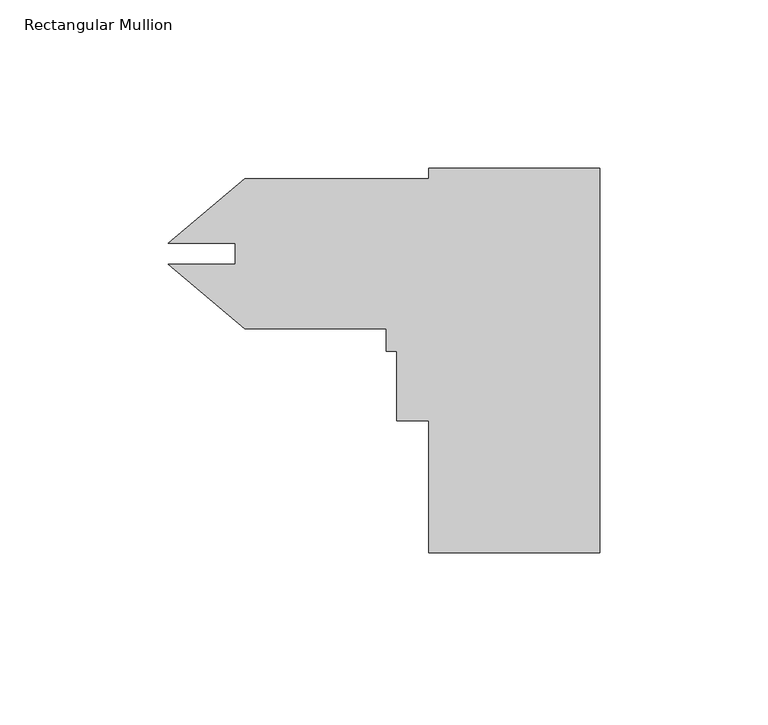
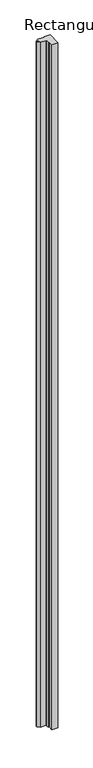
"""IFC4 building model written with IfcOpenShell, lengths in millimetres: member geometry, Rectangular Mullion."""

from ifc_helpers import new_model, si_unit, frame, origin, place, context, project, spatial, polyline, outline, extrude, source, transform, mapped, element, save


def rectangular_mullion_7e819b09(model_context):
    return source(origin(), model_context, "Body", "SweptSolid", [
        extrude(outline(polyline([(-50.8, -57.15), (-50.8, -17.907), (-60.325, -17.907), (-60.325, 2.7178), (-63.5, 2.7178), (-63.5, 9.525), (-105.4886927, 9.525), (-128.2100523, 28.5904845), (-108.2457448, 28.5904845), (-108.2457448, 34.9145955), (-128.2100523, 34.9145955), (-105.4947468, 53.975), (-50.8, 53.975), (-50.8, 57.15), (0.0, 57.15), (0.0, -57.15), (-50.8, -57.15)])), frame((0.0, 0.0, -6096.0), z_axis=(0.0, 0.0, 1.0), x_axis=(1.0, 0.0, 0.0)), (0.0, 0.0, 1.0), 6096.0),
    ])


if __name__ == "__main__":
    model = new_model("IFC4")
    model_context = context("Model", 3, world=origin())
    ifc_project = project(units=[si_unit("LENGTHUNIT", "METRE", prefix="MILLI")], contexts=[model_context])
    site = spatial("IfcSite", under=ifc_project)
    building = spatial("IfcBuilding", under=site)
    placement = place(None, origin())
    rectangular_mullion_shape = rectangular_mullion_7e819b09(model_context)
    element("IfcMember", 1, ObjectType="Rectangular Mullion", at=placement, inside=building, context=model_context, shape_type="MappedRepresentation", body=[
        mapped(rectangular_mullion_shape, transform((0.0, 0.0, 0.0), x_axis=(1.0, 0.0, 0.0), y_axis=(0.0, 1.0, 0.0), z_axis=(0.0, 0.0, 1.0))),
    ])
    save(model, "model.ifc")
